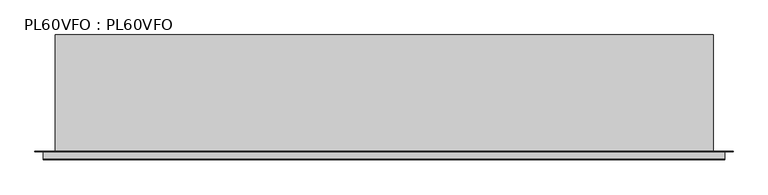
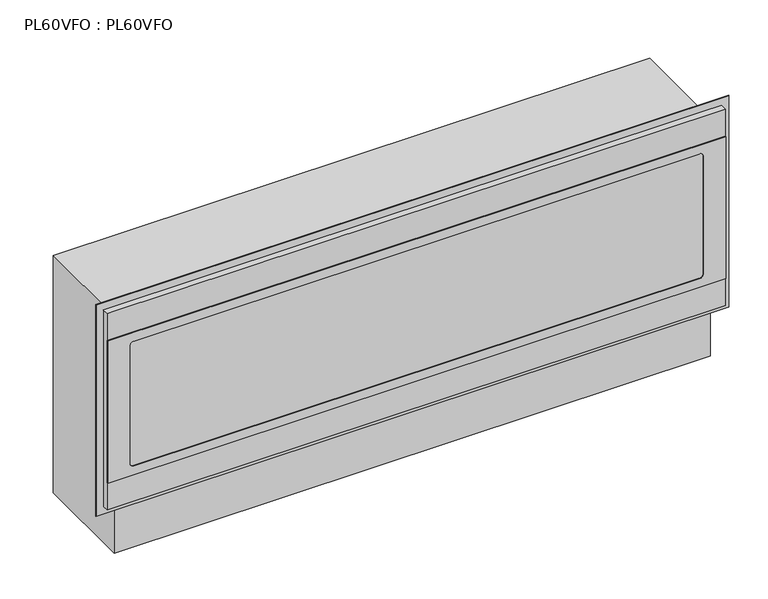
"""IFC4 building model written with IfcOpenShell, lengths in millimetres: proxy geometry, PL60VFO : PL60VFO."""

from ifc_helpers import new_model, si_unit, frame, origin, origin_with_axes, place, context, project, spatial, polyline, circle_curve, outline, extrude, source, transform, mapped, element, save
from ifc_brep_helpers import plane_surface, revolved_surface, advanced_brep


def pl60vfo_pl60vfo_cb1b84aa(model_context):
    return source(origin(), model_context, "Body", "SolidModel", [
        advanced_brep(
        [(839.47, -17.6783991, 633.8981441), (-839.47, -17.6783991, 633.8981441), (-839.47, -20.1929999, 633.8981441), (839.47, -20.1929999, 633.8981441), (839.47, -17.6783991, 225.1613638), (839.47, -20.1929999, 225.1613638), (-839.47, -20.1929999, 225.1613638), (-839.47, -17.6783991, 225.1613638), (-778.4084, -20.1929999, 260.096), (-778.4084, -20.1929999, 598.9828), (-768.8834, -20.1929999, 608.5078), (768.8834, -20.1929999, 608.5078), (778.4084, -20.1929999, 598.9828), (778.4084, -20.1929999, 260.096), (768.8834, -20.1929999, 250.571), (-768.8834, -20.1929999, 250.571), (-778.4084, -18.4911997, 598.9828), (-778.4084, -18.4911997, 260.096), (-768.8834, -18.4911997, 250.571), (768.8834, -18.4911997, 250.571), (778.4084, -18.4911997, 260.096), (778.4084, -18.4911997, 598.9828), (768.8834, -18.4911997, 608.5078), (-768.8834, -18.4911997, 608.5078)],
        [
            (0, 1),
            (1, 2),
            (2, 3),
            (3, 0),
            (4, 5),
            (5, 6),
            (6, 7),
            (7, 4),
            (0, 4),
            (7, 1),
            (6, 2),
            (5, 3),
            (8, 9),
            (9, 10, circle_curve(frame((-768.8834, -20.1929999, 598.9828), z_axis=(0.0, 1.0, 0.0), x_axis=(1.0, 0.0, 0.0)), 9.525)),
            (10, 11),
            (11, 12, circle_curve(frame((768.8834, -20.1929999, 598.9828), z_axis=(0.0, 1.0, 0.0), x_axis=(1.0, 0.0, 0.0)), 9.525)),
            (12, 13),
            (13, 14, circle_curve(frame((768.8834, -20.1929999, 260.096), z_axis=(0.0, 1.0, 0.0), x_axis=(1.0, 0.0, 0.0)), 9.525)),
            (14, 15),
            (15, 8, circle_curve(frame((-768.8834, -20.1929999, 260.096), z_axis=(0.0, 1.0, 0.0), x_axis=(1.0, 0.0, 0.0)), 9.525)),
            (16, 17),
            (17, 18, circle_curve(frame((-768.8834, -18.4911997, 260.096), z_axis=(0.0, -1.0, 0.0), x_axis=(1.0, 0.0, 0.0)), 9.525)),
            (18, 19),
            (19, 20, circle_curve(frame((768.8834, -18.4911997, 260.096), z_axis=(0.0, -1.0, 0.0), x_axis=(1.0, 0.0, 0.0)), 9.525)),
            (20, 21),
            (21, 22, circle_curve(frame((768.8834, -18.4911997, 598.9828), z_axis=(0.0, -1.0, 0.0), x_axis=(1.0, 0.0, 0.0)), 9.525)),
            (22, 23),
            (23, 16, circle_curve(frame((-768.8834, -18.4911997, 598.9828), z_axis=(0.0, -1.0, 0.0), x_axis=(1.0, 0.0, 0.0)), 9.525)),
            (16, 9),
            (8, 17),
            (15, 18),
            (14, 19),
            (13, 20),
            (12, 21),
            (11, 22),
            (10, 23),
        ],
        [
            plane_surface(frame((-499.4990164, -17.6783991, 633.8981441), z_axis=(0.0, 0.0, 1.0), x_axis=(-1.0, 0.0, 0.0))),
            plane_surface(frame((-499.4990164, -17.6783991, 225.1613638), z_axis=(0.0, 0.0, -1.0), x_axis=(1.0, 0.0, 0.0))),
            plane_surface(frame((839.47, -17.6783991, 633.8981441), z_axis=(0.0, 1.0, 0.0), x_axis=(0.0, 0.0, -1.0))),
            plane_surface(frame((-839.47, -17.6783991, 633.8981441), z_axis=(-1.0, 0.0, 0.0), x_axis=(0.0, 0.0, -1.0))),
            plane_surface(frame((-839.47, -20.1929999, 633.8981441), z_axis=(0.0, -1.0, 0.0), x_axis=(0.0, 0.0, -1.0))),
            plane_surface(frame((839.47, -20.1929999, 633.8981441), z_axis=(1.0, 0.0, 0.0), x_axis=(0.0, 0.0, -1.0))),
            plane_surface(frame((-778.4084, -18.4911997, 260.096), z_axis=(0.0, -1.0, 0.0), x_axis=(0.0, 0.0, 1.0))),
            plane_surface(frame((-778.4084, -20.1929999, 598.9828), z_axis=(1.0, 0.0, 0.0), x_axis=(0.0, 1.0, 0.0))),
            revolved_surface(polyline([(-759.3584000000001, -20.1929999, 260.096), (-759.3584000000001, -18.4911997, 260.096)]), (-768.8834, -18.4911997, 260.096), (0.0, -1.0, 0.0)),
            plane_surface(frame((-768.8834, -20.1929999, 250.571), z_axis=(0.0, 0.0, 1.0), x_axis=(0.0, 1.0, 0.0))),
            revolved_surface(polyline([(778.4084, -20.1929999, 260.096), (778.4084, -18.4911997, 260.096)]), (768.8834, -18.4911997, 260.096), (0.0, -1.0, 0.0)),
            plane_surface(frame((778.4084, -20.1929999, 260.096), z_axis=(-1.0, 0.0, 0.0), x_axis=(0.0, 1.0, 0.0))),
            revolved_surface(polyline([(778.4084, -20.1929999, 598.9828), (778.4084, -18.4911997, 598.9828)]), (768.8834, -18.4911997, 598.9828), (0.0, -1.0, 0.0)),
            plane_surface(frame((768.8834, -20.1929999, 608.5078), z_axis=(0.0, 0.0, -1.0), x_axis=(0.0, 1.0, 0.0))),
            revolved_surface(polyline([(-759.3584000000001, -20.1929999, 598.9828), (-759.3584000000001, -18.4911997, 598.9828)]), (-768.8834, -18.4911997, 598.9828), (0.0, -1.0, 0.0)),
        ],
        [
            (0, [[1, 2, 3, 4]]),
            (1, [[5, 6, 7, 8]]),
            (2, [[-1, 9, -8, 10]]),
            (3, [[-2, -10, -7, 11]]),
            (4, [[-3, -11, -6, 12], [13, 14, 15, 16, 17, 18, 19, 20]]),
            (5, [[-4, -12, -5, -9]]),
            (6, [[21, 22, 23, 24, 25, 26, 27, 28]]),
            (7, [[-21, 29, -13, 30]]),
            (8, [[-22, -30, -20, 31]]),
            (9, [[-23, -31, -19, 32]]),
            (10, [[-24, -32, -18, 33]]),
            (11, [[-25, -33, -17, 34]]),
            (12, [[-26, -34, -16, 35]]),
            (13, [[-27, -35, -15, 36]]),
            (14, [[-28, -36, -14, -29]]),
        ],
    ),
        extrude(outline(polyline([(839.47, 0.0), (839.47, -17.6783991), (-839.47, -17.6783991), (-839.47, 0.0), (839.47, 0.0)])), frame((0.0, 0.0, 146.3547996), z_axis=(0.0, 0.0, 1.0), x_axis=(1.0, 0.0, 0.0)), (0.0, 0.0, 1.0), 564.8452044),
        extrude(outline(polyline([(859.5106, 0.9144), (859.5106, 0.0), (-859.79, 0.0), (-859.79, 0.9144), (859.5106, 0.9144)])), frame((0.0, 0.0, 124.1297997), z_axis=(0.0, 0.0, 1.0), x_axis=(1.0, 0.0, 0.0)), (0.0, 0.0, 1.0), 608.3807722),
        extrude(outline(polyline([(810.1076, 287.5787965), (810.1076, 0.9144), (-810.1076, 0.9144), (-810.1076, 287.5787965), (810.1076, 287.5787965)])), origin_with_axes(), (0.0, 0.0, 1.0), 682.625),
    ])


if __name__ == "__main__":
    model = new_model("IFC4")
    model_context = context("Model", 3, world=origin())
    ifc_project = project(units=[si_unit("LENGTHUNIT", "METRE", prefix="MILLI")], contexts=[model_context])
    site = spatial("IfcSite", under=ifc_project)
    building = spatial("IfcBuilding", under=site)
    placement = place(None, origin())
    pl60vfo_pl60vfo_shape = pl60vfo_pl60vfo_cb1b84aa(model_context)
    element("IfcBuildingElementProxy", 1, Name="PL60VFO : PL60VFO", ObjectType="PL60VFO : PL60VFO", at=placement, inside=building, context=model_context, shape_type="MappedRepresentation", body=[
        mapped(pl60vfo_pl60vfo_shape, transform((0.0, 0.0, 0.0), x_axis=(1.0, 0.0, 0.0), y_axis=(0.0, 1.0, 0.0), z_axis=(0.0, 0.0, 1.0))),
    ])
    save(model, "model.ifc")
